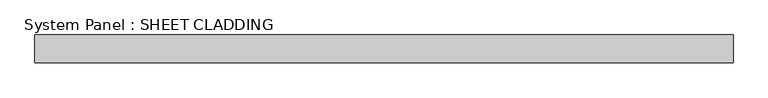
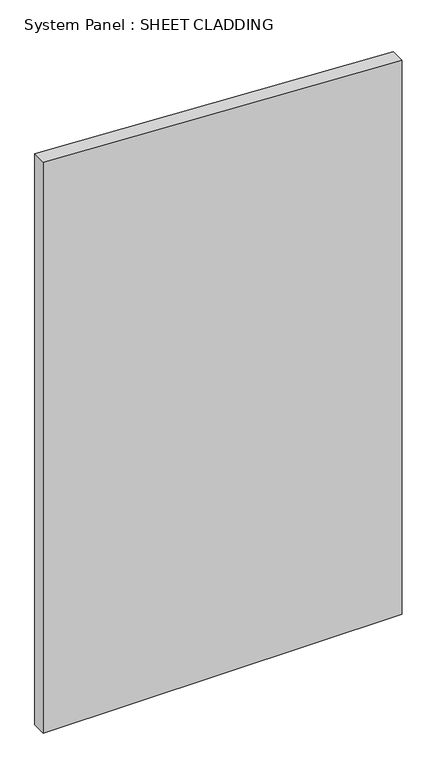
"""IFC4 building model written with IfcOpenShell, lengths in millimetres: plate geometry, System Panel : SHEET CLADDING."""

from ifc_helpers import new_model, si_unit, frame, origin, place, context, project, spatial, polyline, outline, extrude, source, transform, mapped, element, save


def system_panel_sheet_cladding_00e29a6a(model_context):
    return source(origin(), model_context, "Body", "SweptSolid", [
        extrude(outline(polyline([(0.0, -750.0), (0.0, 750.0), (2447.5, 750.0), (2522.5, -750.0), (0.0, -750.0)])), frame((0.0, -10.5, 0.0), z_axis=(0.0, 1.0, 0.0), x_axis=(0.0, 0.0, 1.0)), (0.0, 0.0, 1.0), 60.0),
    ])


if __name__ == "__main__":
    model = new_model("IFC4")
    model_context = context("Model", 3, world=origin())
    ifc_project = project(units=[si_unit("LENGTHUNIT", "METRE", prefix="MILLI")], contexts=[model_context])
    site = spatial("IfcSite", under=ifc_project)
    building = spatial("IfcBuilding", under=site)
    placement = place(None, origin())
    system_panel_sheet_cladding_shape = system_panel_sheet_cladding_00e29a6a(model_context)
    element("IfcPlate", 1, ObjectType="System Panel : SHEET CLADDING", at=placement, inside=building, context=model_context, shape_type="MappedRepresentation", body=[
        mapped(system_panel_sheet_cladding_shape, transform((0.0, 0.0, 0.0), x_axis=(1.0, 0.0, 0.0), y_axis=(0.0, 1.0, 0.0), z_axis=(0.0, 0.0, 1.0))),
    ])
    save(model, "model.ifc")
